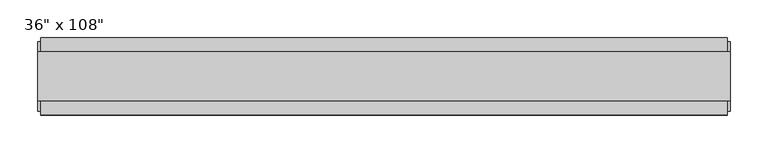
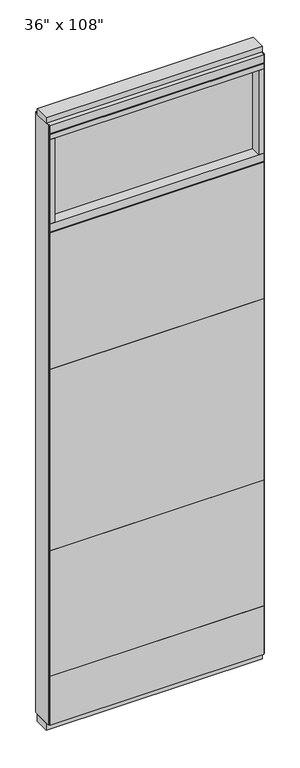
"""IFC4 building model written with IfcOpenShell, lengths in millimetres: furniture geometry."""

from ifc_helpers import new_model, si_unit, frame, origin, origin_with_axes, place, context, project, spatial, polyline, outline, extrude, source, transform, mapped, element, save


def furniture_29b74f10(model_context):
    return source(origin(), model_context, "Body", "SweptSolid", [
        extrude(outline(polyline([(393.2264771, 46.2822784), (393.2264771, 33.5822784), (-513.2995229, 33.5822784), (-513.2995229, 46.2822784), (393.2264771, 46.2822784)])), frame((0.0, 0.0, 1625.6), z_axis=(0.0, 0.0, 1.0), x_axis=(1.0, 0.0, 0.0)), (0.0, 0.0, 1.0), 609.6),
        extrude(outline(polyline([(393.2264771, 46.2822784), (393.2264771, 33.5822784), (-513.2995229, 33.5822784), (-513.2995229, 46.2822784), (393.2264771, 46.2822784)])), frame((0.0, 0.0, 812.8), z_axis=(0.0, 0.0, 1.0), x_axis=(1.0, 0.0, 0.0)), (0.0, 0.0, 1.0), 812.8),
        extrude(outline(polyline([(393.2264771, 46.2822784), (393.2264771, 33.5822784), (-513.2995229, 33.5822784), (-513.2995229, 46.2822784), (393.2264771, 46.2822784)])), frame((0.0, 0.0, 249.936), z_axis=(0.0, 0.0, 1.0), x_axis=(1.0, 0.0, 0.0)), (0.0, 0.0, 1.0), 562.864),
        extrude(outline(polyline([(393.2264771, -55.3177216), (-513.2995229, -55.3177216), (-513.2995229, -42.6177216), (393.2264771, -42.6177216), (393.2264771, -55.3177216)])), frame((0.0, 0.0, 1625.6), z_axis=(0.0, 0.0, 1.0), x_axis=(1.0, 0.0, 0.0)), (0.0, 0.0, 1.0), 609.6),
        extrude(outline(polyline([(393.2264771, -55.3177216), (-513.2995229, -55.3177216), (-513.2995229, -42.6177216), (393.2264771, -42.6177216), (393.2264771, -55.3177216)])), frame((0.0, 0.0, 812.8), z_axis=(0.0, 0.0, 1.0), x_axis=(1.0, 0.0, 0.0)), (0.0, 0.0, 1.0), 812.8),
        extrude(outline(polyline([(393.2264771, -55.3177216), (-513.2995229, -55.3177216), (-513.2995229, -42.6177216), (393.2264771, -42.6177216), (393.2264771, -55.3177216)])), frame((0.0, 0.0, 249.936), z_axis=(0.0, 0.0, 1.0), x_axis=(1.0, 0.0, 0.0)), (0.0, 0.0, 1.0), 562.864),
        extrude(outline(polyline([(393.2264771, 46.2822784), (393.2264771, 33.5822784), (-513.2995229, 33.5822784), (-513.2995229, 46.2822784), (393.2264771, 46.2822784)])), frame((0.0, 0.0, 31.75), z_axis=(0.0, 0.0, 1.0), x_axis=(1.0, 0.0, 0.0)), (0.0, 0.0, 1.0), 218.186),
        extrude(outline(polyline([(393.2264771, -55.3177216), (-513.2995229, -55.3177216), (-513.2995229, -42.6177216), (393.2264771, -42.6177216), (393.2264771, -55.3177216)])), frame((0.0, 0.0, 31.75), z_axis=(0.0, 0.0, 1.0), x_axis=(1.0, 0.0, 0.0)), (0.0, 0.0, 1.0), 218.186),
        extrude(outline(polyline([(371.0014771, -9.5977216), (-491.0745229, -9.5977216), (-491.0745229, 0.5622784), (371.0014771, 0.5622784), (371.0014771, -9.5977216)])), frame((0.0, 0.0, 2276.475), z_axis=(0.0, 0.0, 1.0), x_axis=(1.0, 0.0, 0.0)), (0.0, 0.0, 1.0), 377.825),
        extrude(outline(polyline([(371.0014771, -55.3177216), (371.0014771, 46.2822784), (393.2264771, 46.2822784), (393.2264771, -55.3177216), (371.0014771, -55.3177216)])), frame((0.0, 0.0, 2276.475), z_axis=(0.0, 0.0, 1.0), x_axis=(1.0, 0.0, 0.0)), (0.0, 0.0, 1.0), 377.825),
        extrude(outline(polyline([(-55.3177216, 2240.153), (-55.3177216, 2276.475), (46.2822784, 2276.475), (46.2822784, 2240.153), (41.3292784, 2240.153), (41.3292784, 2235.2), (-50.3647216, 2235.2), (-50.3647216, 2240.153), (-55.3177216, 2240.153)])), frame((-513.2995229, 0.0, 0.0), z_axis=(1.0, 0.0, 0.0), x_axis=(0.0, 1.0, 0.0)), (0.0, 0.0, 1.0), 906.526),
        extrude(outline(polyline([(-491.0745229, -55.3177216), (-513.2995229, -55.3177216), (-513.2995229, 46.2822784), (-491.0745229, 46.2822784), (-491.0745229, -55.3177216)])), frame((0.0, 0.0, 2276.475), z_axis=(0.0, 0.0, 1.0), x_axis=(1.0, 0.0, 0.0)), (0.0, 0.0, 1.0), 377.825),
        extrude(outline(polyline([(397.1634771, 27.9942784), (397.1634771, -37.0297216), (-517.2365229, -37.0297216), (-517.2365229, 27.9942784), (397.1634771, 27.9942784)])), origin_with_axes(), (0.0, 0.0, 1.0), 31.75),
        extrude(outline(polyline([(-517.2365229, -37.0297216), (-517.2365229, 27.9942784), (397.1634771, 27.9942784), (397.1634771, -37.0297216), (-517.2365229, -37.0297216)])), frame((0.0, 0.0, 2717.8), z_axis=(0.0, 0.0, 1.0), x_axis=(1.0, 0.0, 0.0)), (0.0, 0.0, 1.0), 25.4),
        extrude(outline(polyline([(-55.3177216, 2681.478), (-55.3177216, 2717.8), (46.2822784, 2717.8), (46.2822784, 2681.478), (41.3292784, 2681.478), (41.3292784, 2676.525), (-50.3647216, 2676.525), (-50.3647216, 2681.478), (-55.3177216, 2681.478)])), frame((-513.2995229, 0.0, 0.0), z_axis=(1.0, 0.0, 0.0), x_axis=(0.0, 1.0, 0.0)), (0.0, 0.0, 1.0), 906.526),
        extrude(outline(polyline([(393.2264771, 46.2822784), (393.2264771, -55.3177216), (-513.2995229, -55.3177216), (-513.2995229, 46.2822784), (393.2264771, 46.2822784)])), frame((0.0, 0.0, 2654.3), z_axis=(0.0, 0.0, 1.0), x_axis=(1.0, 0.0, 0.0)), (0.0, 0.0, 1.0), 22.225),
        extrude(outline(polyline([(397.1634771, -50.3647216), (393.2264771, -50.3647216), (393.2264771, 41.3292784), (397.1634771, 41.3292784), (397.1634771, -50.3647216)])), frame((0.0, 0.0, 31.75), z_axis=(0.0, 0.0, 1.0), x_axis=(1.0, 0.0, 0.0)), (0.0, 0.0, 1.0), 2686.05),
        extrude(outline(polyline([(-517.2365229, -50.3647216), (-517.2365229, 41.3292784), (-513.2995229, 41.3292784), (-513.2995229, -50.3647216), (-517.2365229, -50.3647216)])), frame((0.0, 0.0, 31.75), z_axis=(0.0, 0.0, 1.0), x_axis=(1.0, 0.0, 0.0)), (0.0, 0.0, 1.0), 2686.05),
    ])


if __name__ == "__main__":
    model = new_model("IFC4")
    model_context = context("Model", 3, world=origin())
    ifc_project = project(units=[si_unit("LENGTHUNIT", "METRE", prefix="MILLI")], contexts=[model_context])
    site = spatial("IfcSite", under=ifc_project)
    building = spatial("IfcBuilding", under=site)
    placement = place(None, origin())
    furniture_shape = furniture_29b74f10(model_context)
    element("IfcFurniture", 1, ObjectType="36\" x 108\"", at=placement, inside=building, context=model_context, shape_type="MappedRepresentation", body=[
        mapped(furniture_shape, transform((0.0, 0.0, 0.0), x_axis=(1.0, 0.0, 0.0), y_axis=(0.0, 1.0, 0.0), z_axis=(0.0, 0.0, 1.0))),
    ])
    save(model, "model.ifc")
